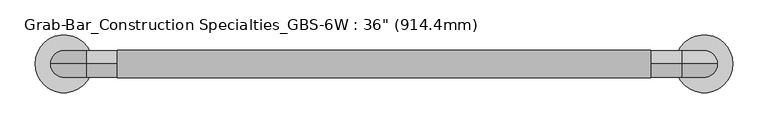
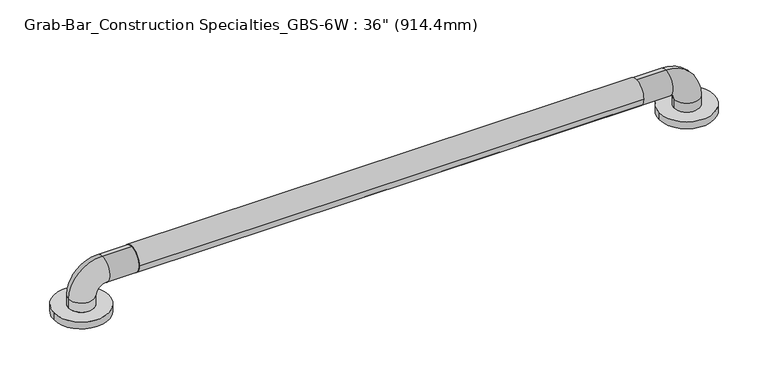
"""IFC4 building model written with IfcOpenShell, lengths in millimetres: proxy geometry."""

from ifc_helpers import new_model, si_unit, point, frame, frame_2d, origin, origin_with_axes, place, context, project, spatial, circle_curve, ellipse_curve, trimmed, segment, composite_curve, outline, extrude, source, transform, mapped, element, save
from ifc_brep_helpers import plane_surface, cylinder_surface, revolved_surface, advanced_brep


def proxy_5cb3bb4e(model_context):
    return source(origin(), model_context, "Body", "SolidModel", [
        extrude(outline(composite_curve([segment(trimmed(circle_curve(frame_2d((0.0005302, 57.1682565)), 19.4479458), [point((-19.4474155, 57.1682565))], [point((19.448476, 57.1682565))], False, "CARTESIAN"), True, "CONTINUOUS"), segment(trimmed(circle_curve(frame_2d((0.0005302, 57.1682565)), 19.4479458), [point((19.448476, 57.1682565))], [point((-19.4474155, 57.1682565))], False, "CARTESIAN"), True, "CONTINUOUS")], self_intersect=False)), frame((76.2, 0.0, 0.0), z_axis=(1.0, 0.0, 0.0), x_axis=(0.0, 1.0, 0.0)), (0.0, 0.0, 1.0), 762.0),
        advanced_brep(
        [(-41.3010856, 0.0, 0.0), (41.3010856, 0.0, 0.0), (873.0989144, 0.0, 0.0), (955.7010856, 0.0, 0.0), (19.05, 0.0, 25.4), (-19.05, 0.0, 25.4), (-19.05, 0.0, 11.1125), (19.05, 0.0, 11.1125), (31.75, 0.0, 38.1), (31.75, 0.0, 76.2), (882.65, 0.0, 38.1), (882.65, 0.0, 76.2), (895.35, 0.0, 25.4), (933.45, 0.0, 25.4), (895.35, 0.0, 11.1125), (933.45, 0.0, 11.1125), (-41.3010856, 0.0, 11.1125), (41.3010856, 0.0, 11.1125), (873.0989144, 0.0, 11.1125), (955.7010856, 0.0, 11.1125)],
        [
            (0, 1, circle_curve(frame((0.0, 0.0, 0.0), z_axis=(0.0, 0.0, -1.0), x_axis=(1.0, 0.0, 0.0)), 41.3010856)),
            (1, 0, circle_curve(frame((0.0, 0.0, 0.0), z_axis=(0.0, 0.0, -1.0), x_axis=(1.0, 0.0, 0.0)), 41.3010856)),
            (2, 3, circle_curve(frame((914.4, 0.0, 0.0), z_axis=(0.0, 0.0, -1.0), x_axis=(1.0, 0.0, 0.0)), 41.3010856)),
            (3, 2, circle_curve(frame((914.4, 0.0, 0.0), z_axis=(0.0, 0.0, -1.0), x_axis=(1.0, 0.0, 0.0)), 41.3010856)),
            (4, 5, circle_curve(frame((0.0, 0.0, 25.4), z_axis=(0.0, 0.0, -1.0), x_axis=(-1.0, 0.0, 0.0)), 19.05)),
            (5, 6),
            (6, 7, circle_curve(frame((0.0, 0.0, 11.1125), z_axis=(0.0, 0.0, 1.0), x_axis=(-1.0, 0.0, 0.0)), 19.05)),
            (7, 4),
            (5, 4, circle_curve(frame((0.0, 0.0, 25.4), z_axis=(0.0, 0.0, -1.0), x_axis=(-1.0, 0.0, 0.0)), 19.05)),
            (7, 6, circle_curve(frame((0.0, 0.0, 11.1125), z_axis=(0.0, 0.0, 1.0), x_axis=(-1.0, 0.0, 0.0)), 19.05)),
            (4, 8, circle_curve(frame((31.75, 0.0, 25.4), z_axis=(0.0, 1.0, 0.0), x_axis=(-1.0, 0.0, 0.0)), 12.7)),
            (8, 9, circle_curve(frame((31.75, 0.0, 57.15), z_axis=(-1.0, 0.0, 0.0), x_axis=(0.0, 0.0, 1.0)), 19.05)),
            (9, 5, circle_curve(frame((31.75, 0.0, 25.4), z_axis=(0.0, -1.0, 0.0), x_axis=(-1.0, 0.0, 0.0)), 50.8)),
            (9, 8, circle_curve(frame((31.75, 0.0, 57.15), z_axis=(-1.0, 0.0, 0.0), x_axis=(0.0, 0.0, 1.0)), 19.05)),
            (8, 10),
            (10, 11, circle_curve(frame((882.65, 0.0, 57.15), z_axis=(-1.0, 0.0, 0.0), x_axis=(0.0, 0.0, 1.0)), 19.05)),
            (11, 9),
            (11, 10, circle_curve(frame((882.65, 0.0, 57.15), z_axis=(-1.0, 0.0, 0.0), x_axis=(0.0, 0.0, 1.0)), 19.05)),
            (10, 12, circle_curve(frame((882.65, 0.0, 25.4), z_axis=(0.0, 1.0, 0.0), x_axis=(0.0, 0.0, 1.0)), 12.7)),
            (12, 13, circle_curve(frame((914.4, 0.0, 25.4), z_axis=(0.0, 0.0, 1.0), x_axis=(1.0, 0.0, 0.0)), 19.05)),
            (13, 11, circle_curve(frame((882.65, 0.0, 25.4), z_axis=(0.0, -1.0, 0.0), x_axis=(0.0, 0.0, 1.0)), 50.8)),
            (13, 12, circle_curve(frame((914.4, 0.0, 25.4), z_axis=(0.0, 0.0, 1.0), x_axis=(1.0, 0.0, 0.0)), 19.05)),
            (12, 14),
            (14, 15, circle_curve(frame((914.4, 0.0, 11.1125), z_axis=(0.0, 0.0, 1.0), x_axis=(1.0, 0.0, 0.0)), 19.05)),
            (15, 13),
            (15, 14, circle_curve(frame((914.4, 0.0, 11.1125), z_axis=(0.0, 0.0, 1.0), x_axis=(1.0, 0.0, 0.0)), 19.05)),
            (16, 17, circle_curve(frame((0.0, 0.0, 11.1125), z_axis=(0.0, 0.0, 1.0), x_axis=(1.0, 0.0, 0.0)), 41.3010856)),
            (17, 16, circle_curve(frame((0.0, 0.0, 11.1125), z_axis=(0.0, 0.0, 1.0), x_axis=(1.0, 0.0, 0.0)), 41.3010856)),
            (18, 19, circle_curve(frame((914.4, 0.0, 11.1125), z_axis=(0.0, 0.0, 1.0), x_axis=(1.0, 0.0, 0.0)), 41.3010856)),
            (19, 18, circle_curve(frame((914.4, 0.0, 11.1125), z_axis=(0.0, 0.0, 1.0), x_axis=(1.0, 0.0, 0.0)), 41.3010856)),
            (16, 0),
            (1, 17),
            (18, 2),
            (3, 19),
        ],
        [
            plane_surface(frame((0.0, 0.0, 0.0), z_axis=(0.0, 0.0, -1.0), x_axis=(0.0, -1.0, 0.0))),
            cylinder_surface(frame((0.0, 0.0, 0.0), z_axis=(0.0, 0.0, -1.0), x_axis=(-1.0, 0.0, 0.0)), 19.05),
            revolved_surface(trimmed(ellipse_curve(frame((0.0, 0.0, 25.4), z_axis=(0.0, 0.0, -1.0), x_axis=(-1.0, 0.0, 0.0)), 19.05, 19.05), [point((19.05, 0.0, 25.4))], [point((-19.05, 0.0, 25.4))], True, "CARTESIAN"), (31.75, 0.0, 25.4), (0.0, 1.0, 0.0)),
            revolved_surface(trimmed(ellipse_curve(frame((0.0, 0.0, 25.4), z_axis=(0.0, 0.0, -1.0), x_axis=(-1.0, 0.0, 0.0)), 19.05, 19.05), [point((-19.05, 0.0, 25.4))], [point((19.05, 0.0, 25.4))], True, "CARTESIAN"), (31.75, 0.0, 25.4), (0.0, 1.0, 0.0)),
            cylinder_surface(frame((31.75, 0.0, 57.15), z_axis=(-1.0, 0.0, 0.0), x_axis=(0.0, 0.0, 1.0)), 19.05),
            revolved_surface(trimmed(ellipse_curve(frame((882.65, 0.0, 57.15), z_axis=(-1.0, 0.0, 0.0), x_axis=(0.0, 0.0, 1.0)), 19.05, 19.05), [point((882.65, 0.0, 38.1))], [point((882.65, 0.0, 76.2))], True, "CARTESIAN"), (882.65, 0.0, 25.4), (0.0, 1.0, 0.0)),
            revolved_surface(trimmed(ellipse_curve(frame((882.65, 0.0, 57.15), z_axis=(-1.0, 0.0, 0.0), x_axis=(0.0, 0.0, 1.0)), 19.05, 19.05), [point((882.65, 0.0, 76.2))], [point((882.65, 0.0, 38.1))], True, "CARTESIAN"), (882.65, 0.0, 25.4), (0.0, 1.0, 0.0)),
            cylinder_surface(frame((914.4, 0.0, 25.4), z_axis=(0.0, 0.0, 1.0), x_axis=(1.0, 0.0, 0.0)), 19.05),
            plane_surface(frame((41.3010856, 0.0, 11.1125), z_axis=(0.0, 0.0, 1.0), x_axis=(0.0, 1.0, 0.0))),
            cylinder_surface(origin_with_axes(), 41.3010856),
            cylinder_surface(frame((914.4, 0.0, 0.0), z_axis=(0.0, 0.0, 1.0), x_axis=(1.0, 0.0, 0.0)), 41.3010856),
        ],
        [
            (0, [[1, 2]]),
            (0, [[3, 4]]),
            (1, [[5, 6, 7, 8]]),
            (1, [[9, -8, 10, -6]]),
            (2, [[-5, 11, 12, 13]]),
            (3, [[-9, -13, 14, -11]]),
            (4, [[-12, 15, 16, 17]]),
            (4, [[-14, -17, 18, -15]]),
            (5, [[-16, 19, 20, 21]]),
            (6, [[-18, -21, 22, -19]]),
            (7, [[-20, 23, 24, 25]]),
            (7, [[-22, -25, 26, -23]]),
            (8, [[27, 28], [-7, -10]]),
            (8, [[29, 30], [-24, -26]]),
            (9, [[-27, 31, -2, 32]]),
            (9, [[-28, -32, -1, -31]]),
            (10, [[-29, 33, -4, 34]]),
            (10, [[-30, -34, -3, -33]]),
        ],
    ),
    ])


if __name__ == "__main__":
    model = new_model("IFC4")
    model_context = context("Model", 3, world=origin())
    ifc_project = project(units=[si_unit("LENGTHUNIT", "METRE", prefix="MILLI")], contexts=[model_context])
    site = spatial("IfcSite", under=ifc_project)
    building = spatial("IfcBuilding", under=site)
    placement = place(None, origin())
    proxy_shape = proxy_5cb3bb4e(model_context)
    element("IfcBuildingElementProxy", 1, Name="Grab-Bar_Construction Specialties_GBS-6W : 36\" (914.4mm)", ObjectType="Grab-Bar_Construction Specialties_GBS-6W : 36\" (914.4mm)", at=placement, inside=building, context=model_context, shape_type="MappedRepresentation", body=[
        mapped(proxy_shape, transform((0.0, 0.0, 0.0), x_axis=(1.0, 0.0, 0.0), y_axis=(0.0, 1.0, 0.0), z_axis=(0.0, 0.0, 1.0))),
    ])
    save(model, "model.ifc")
